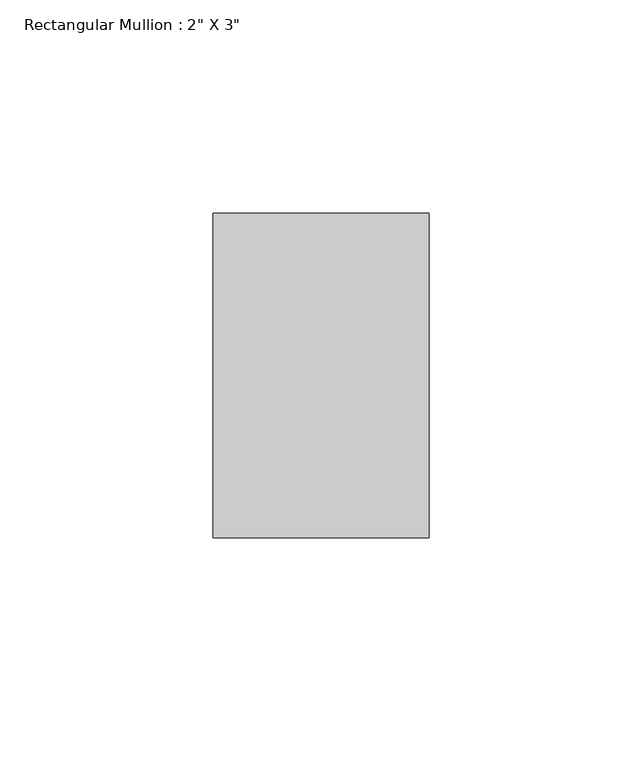
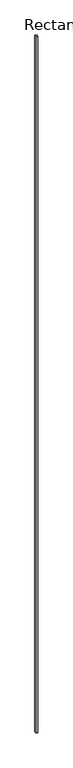
"""IFC4 building model written with IfcOpenShell, lengths in millimetres: member geometry."""

from ifc_helpers import new_model, si_unit, frame, origin, place, context, project, spatial, polyline, outline, extrude, source, transform, mapped, element, save


def member_ad0c7cb8(model_context):
    return source(origin(), model_context, "Body", "SweptSolid", [
        extrude(outline(polyline([(0.0, 63.5), (0.0, -12.7), (-50.8, -12.7), (-50.8, 63.5), (0.0, 63.5)])), frame((0.0, 0.0, -23291.8), z_axis=(0.0, 0.0, 1.0), x_axis=(1.0, 0.0, 0.0)), (0.0, 0.0, 1.0), 23291.8),
    ])


if __name__ == "__main__":
    model = new_model("IFC4")
    model_context = context("Model", 3, world=origin())
    ifc_project = project(units=[si_unit("LENGTHUNIT", "METRE", prefix="MILLI")], contexts=[model_context])
    site = spatial("IfcSite", under=ifc_project)
    building = spatial("IfcBuilding", under=site)
    placement = place(None, origin())
    member_shape = member_ad0c7cb8(model_context)
    element("IfcMember", 1, ObjectType="Rectangular Mullion : 2\" X 3\"", at=placement, inside=building, context=model_context, shape_type="MappedRepresentation", body=[
        mapped(member_shape, transform((0.0, 0.0, 0.0), x_axis=(1.0, 0.0, 0.0), y_axis=(0.0, 1.0, 0.0), z_axis=(0.0, 0.0, 1.0))),
    ])
    save(model, "model.ifc")
